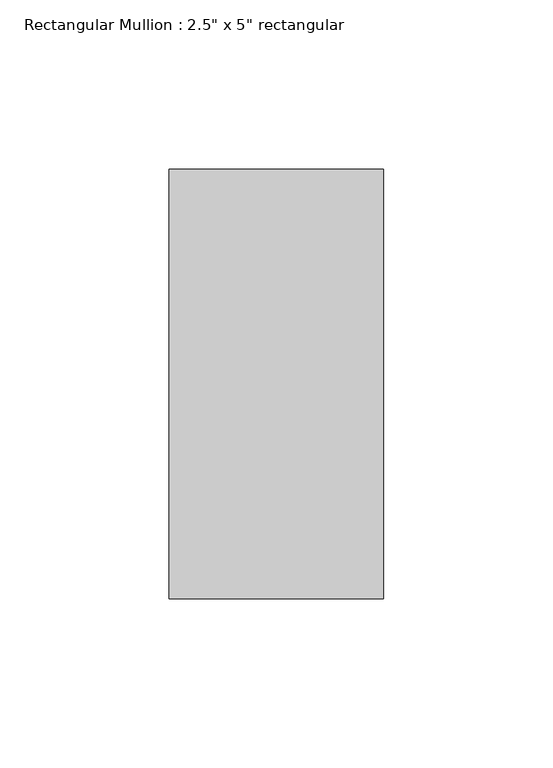
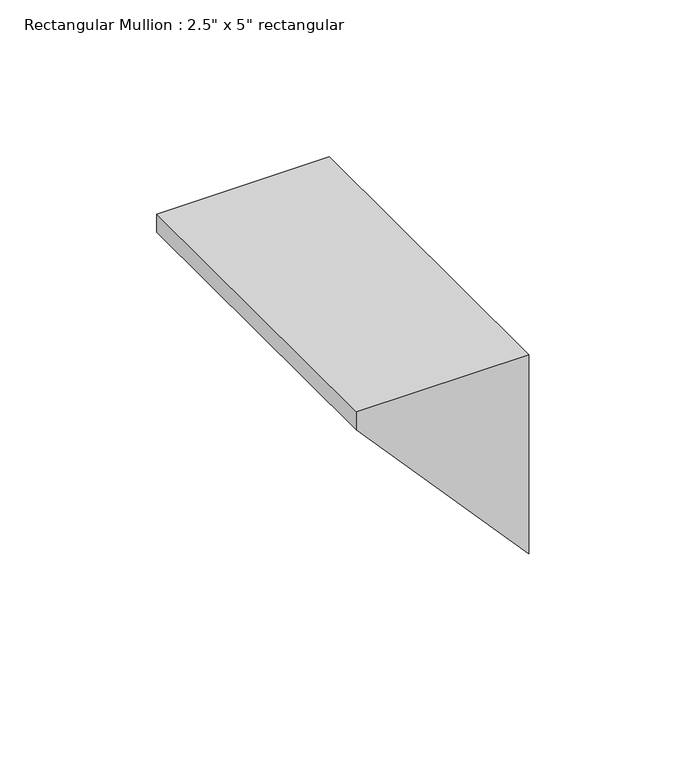
"""IFC4 building model written with IfcOpenShell, lengths in millimetres: member geometry."""

from ifc_helpers import new_model, si_unit, frame, origin, place, context, project, spatial, polyline, outline, extrude, source, transform, mapped, element, save


def member_d96d5044(model_context):
    return source(origin(), model_context, "Body", "SweptSolid", [
        extrude(outline(polyline([(0.0, 0.0), (0.0, -63.5), (-7.0128043, -63.5), (-77.502207, 0.0), (0.0, 0.0)])), frame((0.0, -63.5, 0.0), z_axis=(0.0, 1.0, 0.0), x_axis=(0.0, 0.0, 1.0)), (0.0, 0.0, 1.0), 127.0),
    ])


if __name__ == "__main__":
    model = new_model("IFC4")
    model_context = context("Model", 3, world=origin())
    ifc_project = project(units=[si_unit("LENGTHUNIT", "METRE", prefix="MILLI")], contexts=[model_context])
    site = spatial("IfcSite", under=ifc_project)
    building = spatial("IfcBuilding", under=site)
    placement = place(None, origin())
    member_shape = member_d96d5044(model_context)
    element("IfcMember", 1, ObjectType="Rectangular Mullion : 2.5\" x 5\" rectangular", at=placement, inside=building, context=model_context, shape_type="MappedRepresentation", body=[
        mapped(member_shape, transform((0.0, 0.0, 0.0), x_axis=(1.0, 0.0, 0.0), y_axis=(0.0, 1.0, 0.0), z_axis=(0.0, 0.0, 1.0))),
    ])
    save(model, "model.ifc")
